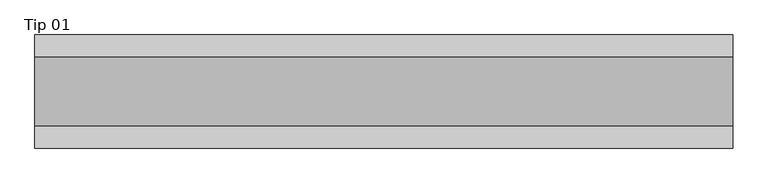
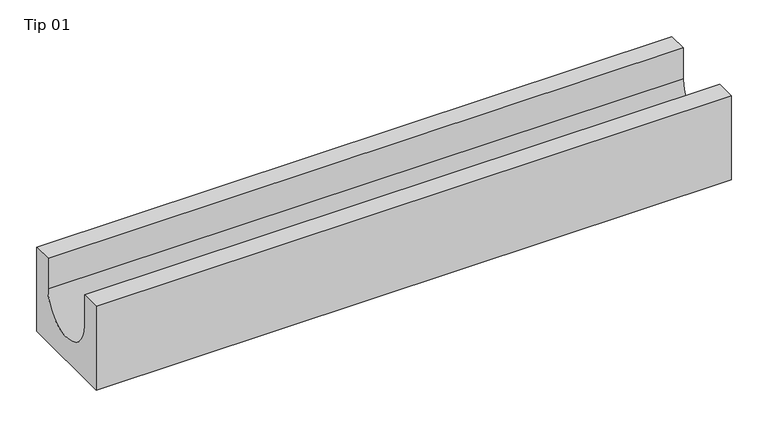
"""IFC4 building model written with IfcOpenShell, lengths in millimetres: proxy geometry, Tip 01."""

from ifc_helpers import new_model, si_unit, point, frame, frame_2d, origin, place, context, project, spatial, polyline, circle_curve, trimmed, segment, composite_curve, outline, extrude, source, transform, mapped, element, save


def tip_01_69d000eb(model_context):
    return source(origin(), model_context, "Body", "SweptSolid", [
        extrude(outline(composite_curve([segment(polyline([(-81.0, -140.0), (-81.0, 0.0), (-50.0, 0.0), (-50.0, -50.8401765)]), True, "CONTINUOUS"), segment(trimmed(circle_curve(frame_2d((0.0, -50.8401765)), 50.0), [point((-50.0, -50.8401765))], [point((50.0, -50.8401765))], True, "CARTESIAN"), True, "CONTINUOUS"), segment(polyline([(50.0, -50.8401765), (50.0, 0.0), (81.0, 0.0), (81.0, -140.0), (-81.0, -140.0)]), True, "CONTINUOUS")], self_intersect=False)), frame((0.0, 0.0, 0.0), z_axis=(1.0, 0.0, 0.0), x_axis=(0.0, 1.0, 0.0)), (0.0, 0.0, 1.0), 1000.0),
    ])


if __name__ == "__main__":
    model = new_model("IFC4")
    model_context = context("Model", 3, world=origin())
    ifc_project = project(units=[si_unit("LENGTHUNIT", "METRE", prefix="MILLI")], contexts=[model_context])
    site = spatial("IfcSite", under=ifc_project)
    building = spatial("IfcBuilding", under=site)
    placement = place(None, origin())
    tip_01_shape = tip_01_69d000eb(model_context)
    element("IfcBuildingElementProxy", 1, Name="Tip 01", ObjectType="Tip 01", at=placement, inside=building, context=model_context, shape_type="MappedRepresentation", body=[
        mapped(tip_01_shape, transform((0.0, 0.0, 0.0), x_axis=(1.0, 0.0, 0.0), y_axis=(0.0, 1.0, 0.0), z_axis=(0.0, 0.0, 1.0))),
    ])
    save(model, "model.ifc")
